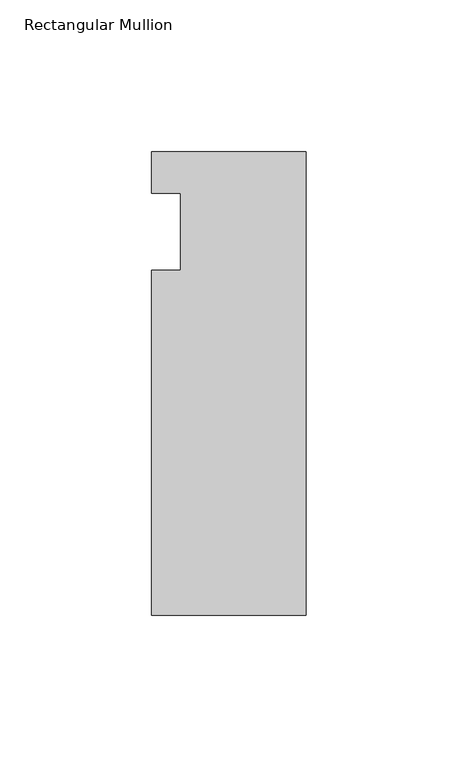
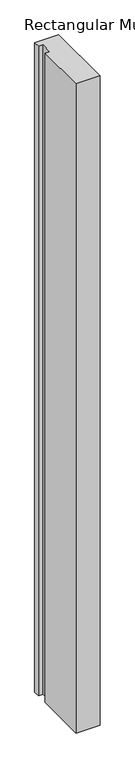
"""IFC4 building model written with IfcOpenShell, lengths in millimetres: member geometry, Rectangular Mullion."""

from ifc_helpers import new_model, si_unit, frame, origin, place, context, project, spatial, polyline, outline, extrude, source, transform, mapped, element, save


def rectangular_mullion_b5531e3d(model_context):
    return source(origin(), model_context, "Body", "SweptSolid", [
        extrude(outline(polyline([(0.0, 26.19375), (0.0, -126.20625), (-50.8, -126.20625), (-50.8, -12.7), (-41.275, -12.7), (-41.275, 12.7), (-50.8, 12.7), (-50.8, 26.19375), (0.0, 26.19375)])), frame((0.0, 0.0, -1460.5), z_axis=(0.0, 0.0, 1.0), x_axis=(1.0, 0.0, 0.0)), (0.0, 0.0, 1.0), 1460.5),
    ])


if __name__ == "__main__":
    model = new_model("IFC4")
    model_context = context("Model", 3, world=origin())
    ifc_project = project(units=[si_unit("LENGTHUNIT", "METRE", prefix="MILLI")], contexts=[model_context])
    site = spatial("IfcSite", under=ifc_project)
    building = spatial("IfcBuilding", under=site)
    placement = place(None, origin())
    rectangular_mullion_shape = rectangular_mullion_b5531e3d(model_context)
    element("IfcMember", 1, ObjectType="Rectangular Mullion", at=placement, inside=building, context=model_context, shape_type="MappedRepresentation", body=[
        mapped(rectangular_mullion_shape, transform((0.0, 0.0, 0.0), x_axis=(1.0, 0.0, 0.0), y_axis=(0.0, 1.0, 0.0), z_axis=(0.0, 0.0, 1.0))),
    ])
    save(model, "model.ifc")
